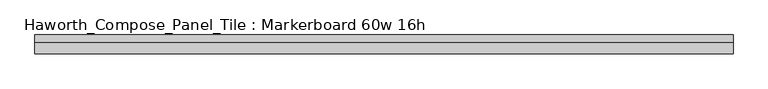
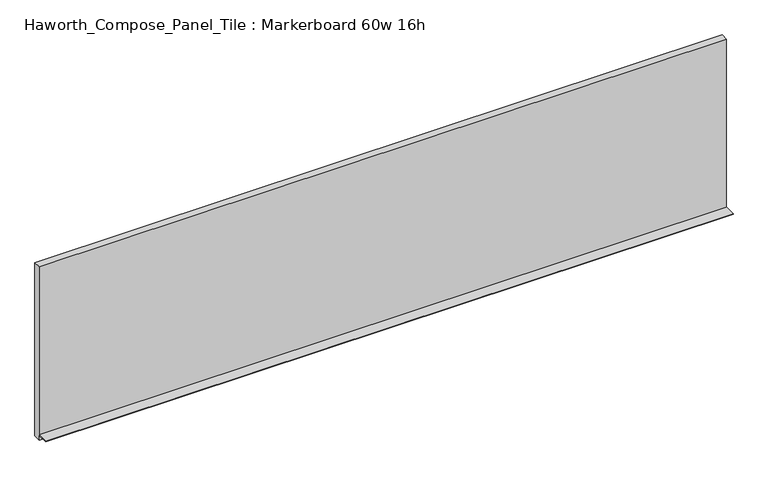
"""IFC4 building model written with IfcOpenShell, lengths in millimetres: furniture geometry, Haworth_Compose_Panel_Tile : Markerboard 60w 16h."""

from ifc_helpers import new_model, si_unit, frame, origin, place, context, project, spatial, polyline, outline, extrude, source, transform, mapped, element, save


def haworth_compose_panel_tile_markerboard_60w_16h_54c58aa3(model_context):
    return source(origin(), model_context, "Body", "SweptSolid", [
        extrude(outline(polyline([(764.4402902, -28.8968594), (-759.5597098, -28.8968594), (-759.5597098, -13.0218594), (764.4402902, -13.0218594), (764.4402902, -28.8968594)])), frame((0.0, 0.0, 1066.8), z_axis=(0.0, 0.0, 1.0), x_axis=(1.0, 0.0, 0.0)), (0.0, 0.0, 1.0), 406.4),
        extrude(outline(polyline([(-28.8968594, 1079.5), (-28.8968594, 1066.8), (-30.4843594, 1066.8), (-30.4843594, 1077.9125), (-54.2968594, 1077.9125), (-54.2968594, 1079.5), (-28.8968594, 1079.5)])), frame((-759.5597098, 0.0, 0.0), z_axis=(1.0, 0.0, 0.0), x_axis=(0.0, 1.0, 0.0)), (0.0, 0.0, 1.0), 1524.0),
    ])


if __name__ == "__main__":
    model = new_model("IFC4")
    model_context = context("Model", 3, world=origin())
    ifc_project = project(units=[si_unit("LENGTHUNIT", "METRE", prefix="MILLI")], contexts=[model_context])
    site = spatial("IfcSite", under=ifc_project)
    building = spatial("IfcBuilding", under=site)
    placement = place(None, origin())
    haworth_compose_panel_tile_markerboard_60w_16h_shape = haworth_compose_panel_tile_markerboard_60w_16h_54c58aa3(model_context)
    element("IfcFurniture", 1, ObjectType="Haworth_Compose_Panel_Tile : Markerboard 60w 16h", at=placement, inside=building, context=model_context, shape_type="MappedRepresentation", body=[
        mapped(haworth_compose_panel_tile_markerboard_60w_16h_shape, transform((0.0, 0.0, 0.0), x_axis=(1.0, 0.0, 0.0), y_axis=(0.0, 1.0, 0.0), z_axis=(0.0, 0.0, 1.0))),
    ])
    save(model, "model.ifc")
